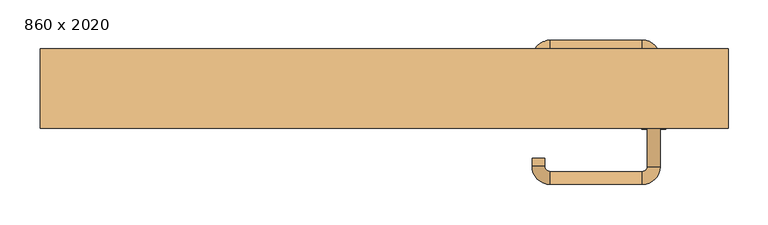
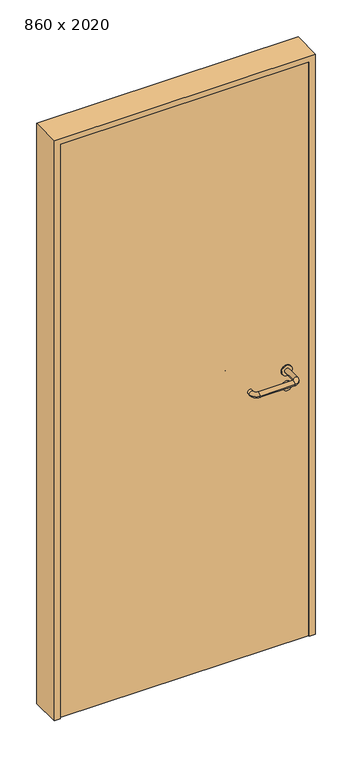
"""IFC4 building model written with IfcOpenShell, lengths in millimetres: door geometry, 860 x 2020."""

from ifc_helpers import new_model, si_unit, point, frame, frame_2d, origin, origin_with_axes, place, context, project, spatial, polyline, circle_curve, ellipse_curve, trimmed, segment, composite_curve, outline, extrude, source, transform, mapped, element, save
from ifc_brep_helpers import plane_surface, cylinder_surface, revolved_surface, advanced_brep


def door_860_x_2020_e3282614(model_context):
    return source(origin(), model_context, "Body", "SolidModel", [
        extrude(outline(composite_curve([segment(trimmed(circle_curve(frame_2d((897.3605726, 337.0)), 15.0), [point((897.3605726, 352.0))], [point((897.3605726, 322.0))], False, "CARTESIAN"), True, "CONTINUOUS"), segment(trimmed(circle_curve(frame_2d((897.3605726, 337.0)), 15.0), [point((897.3605726, 322.0))], [point((897.3605726, 352.0))], False, "CARTESIAN"), True, "CONTINUOUS")], self_intersect=False), holes=[composite_curve([segment(trimmed(circle_curve(frame_2d((892.5833211, 336.9398032)), 2.0), [point((892.5833211, 338.9398032))], [point((892.5833211, 334.9398032))], True, "CARTESIAN"), True, "CONTINUOUS"), segment(polyline([(892.5833211, 334.9398032), (902.5833211, 334.9398032)]), True, "CONTINUOUS"), segment(trimmed(circle_curve(frame_2d((902.5833211, 336.9398032)), 2.0), [point((902.5833211, 334.9398032))], [point((902.5833211, 338.9398032))], True, "CARTESIAN"), True, "CONTINUOUS"), segment(polyline([(902.5833211, 338.9398032), (892.5833211, 338.9398032)]), True, "CONTINUOUS")], self_intersect=False)]), frame((0.0, -15.0, 0.0), z_axis=(0.0, 1.0, 0.0), x_axis=(0.0, 0.0, 1.0)), (0.0, 0.0, 1.0), 6.35),
        extrude(outline(composite_curve([segment(trimmed(circle_curve(frame_2d((950.0, 337.0)), 17.526), [point((950.0, 354.526))], [point((950.0, 319.474))], False, "CARTESIAN"), True, "CONTINUOUS"), segment(trimmed(circle_curve(frame_2d((950.0, 337.0)), 17.526), [point((950.0, 319.474))], [point((950.0, 354.526))], False, "CARTESIAN"), True, "CONTINUOUS")], self_intersect=False)), frame((0.0, -15.0, 0.0), z_axis=(0.0, 1.0, 0.0), x_axis=(0.0, 0.0, 1.0)), (0.0, 0.0, 1.0), 3.175),
        advanced_brep(
        [(345.0, -15.0, 950.0), (329.0, -15.0, 950.0), (345.0, 38.0, 950.0), (329.0, 38.0, 950.0), (322.8578644, 44.1421356, 950.0), (322.8578644, 60.1421356, 950.0), (207.8578644, 60.1421356, 950.0), (207.8578644, 44.1421356, 950.0), (201.008622, 37.2928932, 950.0), (185.008622, 37.2928932, 950.0), (185.008622, 27.2928932, 950.0), (201.008622, 27.2928932, 950.0)],
        [
            (0, 1, circle_curve(frame((337.0, -15.0, 950.0), z_axis=(0.0, -1.0, 0.0), x_axis=(-1.0, 0.0, 0.0)), 8.0)),
            (1, 0, circle_curve(frame((337.0, -15.0, 950.0), z_axis=(0.0, -1.0, 0.0), x_axis=(-1.0, 0.0, 0.0)), 8.0)),
            (0, 2),
            (2, 3, circle_curve(frame((337.0, 38.0, 950.0), z_axis=(0.0, -1.0, 0.0), x_axis=(-1.0, 0.0, 0.0)), 8.0)),
            (3, 1),
            (3, 2, circle_curve(frame((337.0, 38.0, 950.0), z_axis=(0.0, -1.0, 0.0), x_axis=(-1.0, 0.0, 0.0)), 8.0)),
            (4, 3, circle_curve(frame((322.8578644, 38.0, 950.0), z_axis=(0.0, 0.0, -1.0), x_axis=(1.0, 0.0, 0.0)), 6.1421356)),
            (2, 5, circle_curve(frame((322.8578644, 38.0, 950.0), z_axis=(0.0, 0.0, 1.0), x_axis=(1.0, 0.0, 0.0)), 22.1421356)),
            (5, 4, circle_curve(frame((322.8578644, 52.1421356, 950.0), z_axis=(1.0, 0.0, 0.0), x_axis=(0.0, -1.0, 0.0)), 8.0)),
            (4, 5, circle_curve(frame((322.8578644, 52.1421356, 950.0), z_axis=(1.0, 0.0, 0.0), x_axis=(0.0, -1.0, 0.0)), 8.0)),
            (5, 6),
            (6, 7, circle_curve(frame((207.8578644, 52.1421356, 950.0), z_axis=(1.0, 0.0, 0.0), x_axis=(0.0, -1.0, 0.0)), 8.0)),
            (7, 4),
            (7, 6, circle_curve(frame((207.8578644, 52.1421356, 950.0), z_axis=(1.0, 0.0, 0.0), x_axis=(0.0, -1.0, 0.0)), 8.0)),
            (8, 7, circle_curve(frame((207.8578644, 37.2928932, 950.0), z_axis=(0.0, 0.0, -1.0), x_axis=(0.0, 1.0, 0.0)), 6.8492424)),
            (6, 9, circle_curve(frame((207.8578644, 37.2928932, 950.0), z_axis=(0.0, 0.0, 1.0), x_axis=(0.0, 1.0, 0.0)), 22.8492424)),
            (9, 8, circle_curve(frame((193.008622, 37.2928932, 950.0), z_axis=(0.0, 1.0, 0.0), x_axis=(1.0, 0.0, 0.0)), 8.0)),
            (8, 9, circle_curve(frame((193.008622, 37.2928932, 950.0), z_axis=(0.0, 1.0, 0.0), x_axis=(1.0, 0.0, 0.0)), 8.0)),
            (10, 11, circle_curve(frame((193.008622, 27.2928932, 950.0), z_axis=(0.0, -1.0, 0.0), x_axis=(1.0, 0.0, 0.0)), 8.0)),
            (11, 10, circle_curve(frame((193.008622, 27.2928932, 950.0), z_axis=(0.0, -1.0, 0.0), x_axis=(1.0, 0.0, 0.0)), 8.0)),
            (9, 10),
            (11, 8),
        ],
        [
            plane_surface(frame((337.0, -15.0, 0.0), z_axis=(0.0, -1.0, 0.0), x_axis=(0.0, 0.0, 1.0))),
            cylinder_surface(frame((337.0, -15.0, 950.0), z_axis=(0.0, -1.0, 0.0), x_axis=(-1.0, 0.0, 0.0)), 8.0),
            revolved_surface(trimmed(ellipse_curve(frame((337.0, 38.0, 950.0), z_axis=(0.0, -1.0, 0.0), x_axis=(-1.0, 0.0, 0.0)), 8.0, 8.0), [point((345.0, 38.0, 950.0))], [point((329.0, 38.0, 950.0))], True, "CARTESIAN"), (322.8578644, 38.0, 0.0), (0.0, 0.0, 1.0)),
            revolved_surface(trimmed(ellipse_curve(frame((337.0, 38.0, 950.0), z_axis=(0.0, -1.0, 0.0), x_axis=(-1.0, 0.0, 0.0)), 8.0, 8.0), [point((329.0, 38.0, 950.0))], [point((345.0, 38.0, 950.0))], True, "CARTESIAN"), (322.8578644, 38.0, 0.0), (0.0, 0.0, 1.0)),
            cylinder_surface(frame((322.8578644, 52.1421356, 950.0), z_axis=(1.0, 0.0, 0.0), x_axis=(0.0, -1.0, 0.0)), 8.0),
            revolved_surface(trimmed(ellipse_curve(frame((207.8578644, 52.1421356, 950.0), z_axis=(1.0, 0.0, 0.0), x_axis=(0.0, -1.0, 0.0)), 8.0, 8.0), [point((207.8578644, 60.1421356, 950.0))], [point((207.8578644, 44.1421356, 950.0))], True, "CARTESIAN"), (207.8578644, 37.2928932, 0.0), (0.0, 0.0, 1.0)),
            revolved_surface(trimmed(ellipse_curve(frame((207.8578644, 52.1421356, 950.0), z_axis=(1.0, 0.0, 0.0), x_axis=(0.0, -1.0, 0.0)), 8.0, 8.0), [point((207.8578644, 44.1421356, 950.0))], [point((207.8578644, 60.1421356, 950.0))], True, "CARTESIAN"), (207.8578644, 37.2928932, 0.0), (0.0, 0.0, 1.0)),
            plane_surface(frame((193.008622, 27.2928932, 0.0), z_axis=(0.0, -1.0, 0.0), x_axis=(0.0, 0.0, 1.0))),
            cylinder_surface(frame((193.008622, 37.2928932, 950.0), z_axis=(0.0, 1.0, 0.0), x_axis=(1.0, 0.0, 0.0)), 8.0),
        ],
        [
            (0, [[1, 2]]),
            (1, [[-1, 3, 4, 5]]),
            (1, [[-2, -5, 6, -3]]),
            (2, [[7, -4, 8, 9]]),
            (3, [[-8, -6, -7, 10]]),
            (4, [[-9, 11, 12, 13]]),
            (4, [[-10, -13, 14, -11]]),
            (5, [[15, -12, 16, 17]]),
            (6, [[-16, -14, -15, 18]]),
            (7, [[19, 20]]),
            (8, [[-17, 21, -20, 22]]),
            (8, [[-18, -22, -19, -21]]),
        ],
    ),
        extrude(outline(composite_curve([segment(trimmed(circle_curve(frame_2d((0.0, 15.0)), 15.0), [point((0.0, 30.0))], [point((0.0, 0.0))], False, "CARTESIAN"), True, "CONTINUOUS"), segment(trimmed(circle_curve(frame_2d((0.0, 15.0)), 15.0), [point((0.0, 0.0))], [point((0.0, 30.0))], False, "CARTESIAN"), True, "CONTINUOUS")], self_intersect=False), holes=[composite_curve([segment(trimmed(circle_curve(frame_2d((-4.7772515, 14.9398032)), 2.0), [point((-4.7772515, 16.9398032))], [point((-4.7772515, 12.9398032))], True, "CARTESIAN"), True, "CONTINUOUS"), segment(polyline([(-4.7772515, 12.9398032), (5.2227485, 12.9398032)]), True, "CONTINUOUS"), segment(trimmed(circle_curve(frame_2d((5.2227485, 14.9398032)), 2.0), [point((5.2227485, 12.9398032))], [point((5.2227485, 16.9398032))], True, "CARTESIAN"), True, "CONTINUOUS"), segment(polyline([(5.2227485, 16.9398032), (-4.7772515, 16.9398032)]), True, "CONTINUOUS")], self_intersect=False)]), frame((322.0, -51.35, 897.3605726), z_axis=(-1.8870575173328306e-12, 1.0, 0.0), x_axis=(0.0, 0.0, 1.0)), (0.0, 0.0, 1.0), 6.35),
        extrude(outline(composite_curve([segment(trimmed(circle_curve(frame_2d((0.0, 17.526)), 17.526), [point((0.0, 35.052))], [point((0.0, 0.0))], False, "CARTESIAN"), True, "CONTINUOUS"), segment(trimmed(circle_curve(frame_2d((0.0, 17.526)), 17.526), [point((0.0, 0.0))], [point((0.0, 35.052))], False, "CARTESIAN"), True, "CONTINUOUS")], self_intersect=False)), frame((319.474, -48.175, 950.0), z_axis=(-1.8870575173328306e-12, 1.0, 0.0), x_axis=(0.0, 0.0, 1.0)), (0.0, 0.0, 1.0), 3.175),
        advanced_brep(
        [(345.0, -45.0, 950.0), (329.0, -45.0, 950.0), (329.0, -98.0, 950.0), (345.0, -98.0, 950.0), (322.8578644, -104.1421356, 950.0), (322.8578644, -120.1421356, 950.0), (207.8578644, -104.1421356, 950.0), (207.8578644, -120.1421356, 950.0), (201.008622, -97.2928932, 950.0), (185.008622, -97.2928932, 950.0), (185.008622, -87.2928932, 950.0), (201.008622, -87.2928932, 950.0)],
        [
            (0, 1, circle_curve(frame((337.0, -45.0, 950.0), z_axis=(-1.888672253512351e-12, 1.0, 0.0), x_axis=(-1.0, -1.888672253512351e-12, 0.0)), 8.0)),
            (1, 0, circle_curve(frame((337.0, -45.0, 950.0), z_axis=(-1.888672253512351e-12, 1.0, 0.0), x_axis=(-1.0, -1.888672253512351e-12, 0.0)), 8.0)),
            (1, 2),
            (2, 3, circle_curve(frame((337.0, -98.0, 950.0), z_axis=(-1.888672253512351e-12, 1.0, 0.0), x_axis=(-1.0, -1.888672253512351e-12, 0.0)), 8.0)),
            (3, 0),
            (3, 2, circle_curve(frame((337.0, -98.0, 950.0), z_axis=(-1.888672253512351e-12, 1.0, 0.0), x_axis=(-1.0, -1.888672253512351e-12, 0.0)), 8.0)),
            (4, 5, circle_curve(frame((322.8578644, -112.1421356, 950.0), z_axis=(1.0, 1.913702061528922e-12, 0.0), x_axis=(-1.913702061528922e-12, 1.0, 0.0)), 8.0)),
            (5, 3, circle_curve(frame((322.8578644, -98.0, 950.0), z_axis=(0.0, 0.0, 1.0), x_axis=(1.0, 1.880717803715015e-12, 0.0)), 22.1421356)),
            (2, 4, circle_curve(frame((322.8578644, -98.0, 950.0), z_axis=(0.0, 0.0, -1.0), x_axis=(1.0, 1.880717803715015e-12, 0.0)), 6.1421356)),
            (5, 4, circle_curve(frame((322.8578644, -112.1421356, 950.0), z_axis=(1.0, 1.913702061528922e-12, 0.0), x_axis=(-1.913702061528922e-12, 1.0, 0.0)), 8.0)),
            (4, 6),
            (6, 7, circle_curve(frame((207.8578644, -112.1421356, 950.0), z_axis=(1.0, 1.913719828541269e-12, 0.0), x_axis=(-1.913719828541269e-12, 1.0, 0.0)), 8.0)),
            (7, 5),
            (7, 6, circle_curve(frame((207.8578644, -112.1421356, 950.0), z_axis=(1.0, 1.913719828541269e-12, 0.0), x_axis=(-1.913719828541269e-12, 1.0, 0.0)), 8.0)),
            (8, 9, circle_curve(frame((193.008622, -97.2928932, 950.0), z_axis=(1.8888942981172756e-12, -1.0, 0.0), x_axis=(1.0, 1.8888942981172756e-12, 0.0)), 8.0)),
            (9, 7, circle_curve(frame((207.8578644, -97.2928932, 950.0), z_axis=(0.0, 0.0, 1.0), x_axis=(1.9120873253494017e-12, -1.0, 0.0)), 22.8492424)),
            (6, 8, circle_curve(frame((207.8578644, -97.2928932, 950.0), z_axis=(0.0, 0.0, -1.0), x_axis=(1.9120873253494017e-12, -1.0, 0.0)), 6.8492424)),
            (9, 8, circle_curve(frame((193.008622, -97.2928932, 950.0), z_axis=(1.890448610351751e-12, -1.0, 0.0), x_axis=(1.0, 1.890448610351751e-12, 0.0)), 8.0)),
            (10, 11, circle_curve(frame((193.008622, -87.2928932, 950.0), z_axis=(-1.8903642334018795e-12, 1.0, 0.0), x_axis=(1.0, 1.8903642334018795e-12, 0.0)), 8.0)),
            (11, 10, circle_curve(frame((193.008622, -87.2928932, 950.0), z_axis=(-1.8903642334018795e-12, 1.0, 0.0), x_axis=(1.0, 1.8903642334018795e-12, 0.0)), 8.0)),
            (8, 11),
            (10, 9),
        ],
        [
            plane_surface(frame((337.0, -45.0, 0.0), z_axis=(-1.8870575173328306e-12, 1.0, 0.0), x_axis=(0.0, 0.0, 1.0))),
            cylinder_surface(frame((337.0, -45.0, 950.0), z_axis=(-1.888672253512351e-12, 1.0, 0.0), x_axis=(-1.0, -1.888672253512351e-12, 0.0)), 8.0),
            revolved_surface(trimmed(ellipse_curve(frame((337.0, -98.0, 950.0), z_axis=(1.8823325398945356e-12, -1.0, 0.0), x_axis=(-1.0, -1.8823325398945356e-12, 0.0)), 8.0, 8.0), [point((345.0, -98.0, 950.0))], [point((329.0, -98.0, 950.0))], True, "CARTESIAN"), (322.8578644, -98.0, 0.0), (0.0, 0.0, 1.0)),
            revolved_surface(trimmed(ellipse_curve(frame((337.0, -98.0, 950.0), z_axis=(1.8823325398945356e-12, -1.0, 0.0), x_axis=(-1.0, -1.8823325398945356e-12, 0.0)), 8.0, 8.0), [point((329.0, -98.0, 950.0))], [point((345.0, -98.0, 950.0))], True, "CARTESIAN"), (322.8578644, -98.0, 0.0), (0.0, 0.0, 1.0)),
            cylinder_surface(frame((322.8578644, -112.1421356, 950.0), z_axis=(1.0, 1.913719828541269e-12, 0.0), x_axis=(-1.913719828541269e-12, 1.0, 0.0)), 8.0),
            revolved_surface(trimmed(ellipse_curve(frame((207.8578644, -112.1421356, 950.0), z_axis=(-1.0, -1.913702061528922e-12, 0.0), x_axis=(-1.913702061528922e-12, 1.0, 0.0)), 8.0, 8.0), [point((207.8578644, -120.1421356, 950.0))], [point((207.8578644, -104.1421356, 950.0))], True, "CARTESIAN"), (207.8578644, -97.2928932, 0.0), (0.0, 0.0, 1.0)),
            revolved_surface(trimmed(ellipse_curve(frame((207.8578644, -112.1421356, 950.0), z_axis=(-1.0, -1.913702061528922e-12, 0.0), x_axis=(-1.913702061528922e-12, 1.0, 0.0)), 8.0, 8.0), [point((207.8578644, -104.1421356, 950.0))], [point((207.8578644, -120.1421356, 950.0))], True, "CARTESIAN"), (207.8578644, -97.2928932, 0.0), (0.0, 0.0, 1.0)),
            plane_surface(frame((193.008622, -87.2928932, 0.0), z_axis=(-1.8887494972223595e-12, 1.0, 0.0), x_axis=(0.0, 0.0, 1.0))),
            cylinder_surface(frame((193.008622, -97.2928932, 950.0), z_axis=(1.8903642334018795e-12, -1.0, 0.0), x_axis=(1.0, 1.8903642334018795e-12, 0.0)), 8.0),
        ],
        [
            (0, [[1, 2]]),
            (1, [[3, 4, 5, -2]]),
            (1, [[-5, 6, -3, -1]]),
            (2, [[7, 8, -4, 9]]),
            (3, [[10, -9, -6, -8]]),
            (4, [[11, 12, 13, -7]]),
            (4, [[-13, 14, -11, -10]]),
            (5, [[15, 16, -12, 17]]),
            (6, [[18, -17, -14, -16]]),
            (7, [[19, 20]]),
            (8, [[21, -19, 22, -15]]),
            (8, [[-22, -20, -21, -18]]),
        ],
    ),
        extrude(outline(polyline([(2000.0, 410.0), (0.0, 410.0), (0.0, 430.0), (2020.0, 430.0), (2020.0, -430.0), (0.0, -430.0), (0.0, -410.0), (2000.0, -410.0), (2000.0, 410.0)])), frame((0.0, -50.0, 0.0), z_axis=(0.0, 1.0, 0.0), x_axis=(0.0, 0.0, 1.0)), (0.0, 0.0, 1.0), 99.0),
        extrude(outline(polyline([(-410.0, -45.0), (-410.0, -15.0), (410.0, -15.0), (410.0, -45.0), (-410.0, -45.0)])), origin_with_axes(), (0.0, 0.0, 1.0), 2000.0),
    ])


if __name__ == "__main__":
    model = new_model("IFC4")
    model_context = context("Model", 3, world=origin())
    ifc_project = project(units=[si_unit("LENGTHUNIT", "METRE", prefix="MILLI")], contexts=[model_context])
    site = spatial("IfcSite", under=ifc_project)
    building = spatial("IfcBuilding", under=site)
    placement = place(None, origin())
    door_860_x_2020_shape = door_860_x_2020_e3282614(model_context)
    element("IfcDoor", 1, ObjectType="860 x 2020", at=placement, inside=building, context=model_context, shape_type="MappedRepresentation", body=[
        mapped(door_860_x_2020_shape, transform((0.0, 0.0, 0.0), x_axis=(1.0, 0.0, 0.0), y_axis=(0.0, 1.0, 0.0), z_axis=(0.0, 0.0, 1.0))),
    ])
    save(model, "model.ifc")
